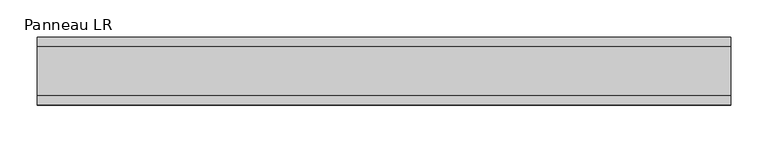
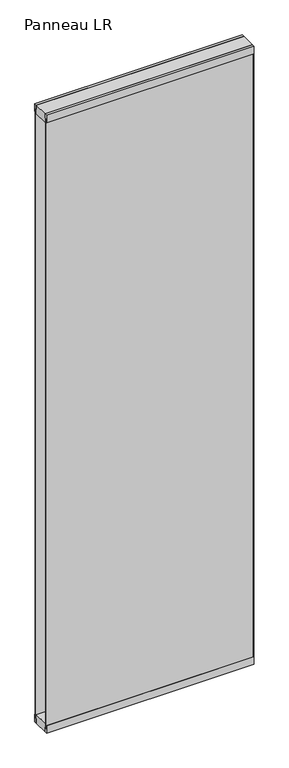
"""IFC4 building model written with IfcOpenShell, lengths in millimetres: plate geometry, Panneau LR."""

from ifc_helpers import new_model, si_unit, frame, origin, origin_with_axes, place, context, project, spatial, polyline, outline, extrude, source, transform, mapped, element, save


def panneau_lr_011969f0(model_context):
    return source(origin(), model_context, "Body", "SweptSolid", [
        extrude(outline(polyline([(33.0, 2910.0), (45.0, 2910.0), (45.0, 2875.0), (43.8, 2875.0), (43.8, 2890.0), (33.0, 2890.0), (33.0, 2910.0)])), frame((-462.7520246, 0.0, 0.0), z_axis=(1.0, 0.0, 0.0), x_axis=(0.0, 1.0, 0.0)), (0.0, 0.0, 1.0), 925.5040491),
        extrude(outline(polyline([(-45.0, 2875.0), (-45.0, 2910.0), (-33.0, 2910.0), (-33.0, 2890.0), (-43.8, 2890.0), (-43.8, 2875.0), (-45.0, 2875.0)])), frame((-462.7520246, 0.0, 0.0), z_axis=(1.0, 0.0, 0.0), x_axis=(0.0, 1.0, 0.0)), (0.0, 0.0, 1.0), 925.5040491),
        extrude(outline(polyline([(462.7520246, 43.8), (462.7520246, 37.8), (460.7520246, 37.8), (460.7520246, 43.8), (462.7520246, 43.8)])), frame((0.0, 0.0, 20.0), z_axis=(0.0, 0.0, 1.0), x_axis=(1.0, 0.0, 0.0)), (0.0, 0.0, 1.0), 2870.0),
        extrude(outline(polyline([(462.7520246, -37.8), (462.7520246, -43.8), (460.7520246, -43.8), (460.7520246, -37.8), (462.7520246, -37.8)])), frame((0.0, 0.0, 20.0), z_axis=(0.0, 0.0, 1.0), x_axis=(1.0, 0.0, 0.0)), (0.0, 0.0, 1.0), 2870.0),
        extrude(outline(polyline([(33.0, 0.0), (33.0, 20.0), (43.8, 20.0), (43.8, 35.0), (45.0, 35.0), (45.0, 0.0), (33.0, 0.0)])), frame((-462.7520246, 0.0, 0.0), z_axis=(1.0, 0.0, 0.0), x_axis=(0.0, 1.0, 0.0)), (0.0, 0.0, 1.0), 925.5040491),
        extrude(outline(polyline([(-45.0, 35.0), (-43.8, 35.0), (-43.8, 20.0), (-33.0, 20.0), (-33.0, 0.0), (-45.0, 0.0), (-45.0, 35.0)])), frame((-462.7520246, 0.0, 0.0), z_axis=(1.0, 0.0, 0.0), x_axis=(0.0, 1.0, 0.0)), (0.0, 0.0, 1.0), 925.5040491),
        extrude(outline(polyline([(462.7520246, -33.0), (-462.7520246, -33.0), (-462.7520246, 33.0), (462.7520246, 33.0), (462.7520246, -33.0)])), frame((0.0, 0.0, 2870.0), z_axis=(0.0, 0.0, 1.0), x_axis=(1.0, 0.0, 0.0)), (0.0, 0.0, 1.0), 40.0),
        extrude(outline(polyline([(462.7520246, -33.0), (-462.7520246, -33.0), (-462.7520246, 33.0), (462.7520246, 33.0), (462.7520246, -33.0)])), origin_with_axes(), (0.0, 0.0, 1.0), 40.0),
        extrude(outline(polyline([(460.7520246, 37.8), (-462.7520246, 37.8), (-462.7520246, 43.8), (460.7520246, 43.8), (460.7520246, 37.8)])), frame((0.0, 0.0, 20.0), z_axis=(0.0, 0.0, 1.0), x_axis=(1.0, 0.0, 0.0)), (0.0, 0.0, 1.0), 2870.0),
        extrude(outline(polyline([(-462.7520246, -43.8), (-462.7520246, -37.8), (460.7520246, -37.8), (460.7520246, -43.8), (-462.7520246, -43.8)])), frame((0.0, 0.0, 20.0), z_axis=(0.0, 0.0, 1.0), x_axis=(1.0, 0.0, 0.0)), (0.0, 0.0, 1.0), 2870.0),
    ])


if __name__ == "__main__":
    model = new_model("IFC4")
    model_context = context("Model", 3, world=origin())
    ifc_project = project(units=[si_unit("LENGTHUNIT", "METRE", prefix="MILLI")], contexts=[model_context])
    site = spatial("IfcSite", under=ifc_project)
    building = spatial("IfcBuilding", under=site)
    placement = place(None, origin())
    panneau_lr_shape = panneau_lr_011969f0(model_context)
    element("IfcPlate", 1, ObjectType="Panneau LR", at=placement, inside=building, context=model_context, shape_type="MappedRepresentation", body=[
        mapped(panneau_lr_shape, transform((0.0, 0.0, 0.0), x_axis=(1.0, 0.0, 0.0), y_axis=(0.0, 1.0, 0.0), z_axis=(0.0, 0.0, 1.0))),
    ])
    save(model, "model.ifc")
